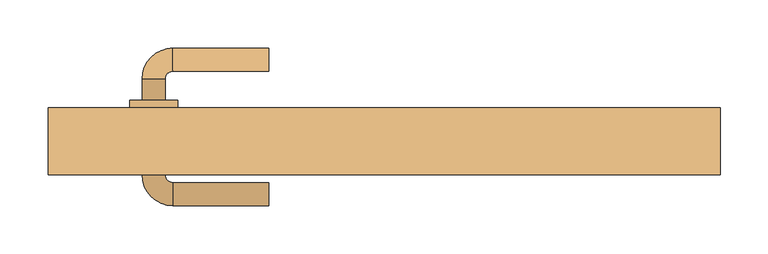
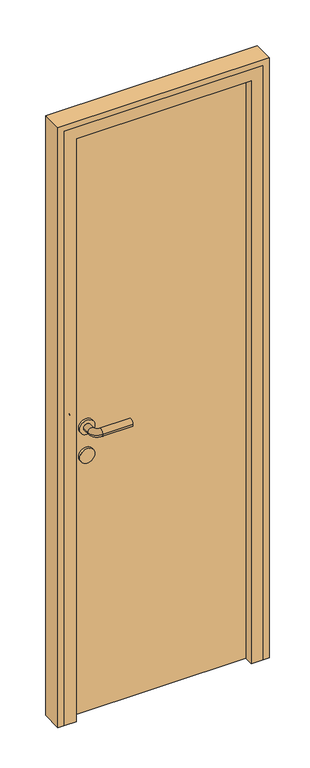
"""IFC4 building model written with IfcOpenShell, lengths in millimetres: door geometry."""

from ifc_helpers import new_model, si_unit, point, frame, frame_2d, origin, origin_with_axes, place, context, project, spatial, polyline, circle_curve, ellipse_curve, trimmed, segment, composite_curve, outline, extrude, faceted_brep, source, transform, mapped, element, save
from ifc_brep_helpers import plane_surface, cylinder_surface, revolved_surface, advanced_brep


def door_e67560aa(model_context):
    return source(origin(), model_context, "Body", "SolidModel", [
        advanced_brep(
        [(-120.0, 302.0, 1000.0), (-120.0, 278.0, 1000.0), (-220.0, 302.0, 1000.0), (-220.0, 278.0, 1000.0), (-252.0, 270.0, 1000.0), (-228.0, 270.0, 1000.0), (-252.0, 248.0, 1000.0), (-228.0, 248.0, 1000.0), (-252.0, 170.0, 1000.0), (-228.0, 170.0, 1000.0), (-228.0, 192.0, 1000.0), (-252.0, 192.0, 1000.0), (-220.0, 138.0, 1000.0), (-220.0, 162.0, 1000.0), (-120.0, 138.0, 1000.0), (-120.0, 162.0, 1000.0), (-265.0, 248.0, 1000.0), (-215.0, 248.0, 1000.0), (-265.0, 192.0, 1000.0), (-215.0, 192.0, 1000.0)],
        [
            (0, 1, circle_curve(frame((-120.0, 290.0, 1000.0), z_axis=(1.0, 0.0, 0.0), x_axis=(0.0, -1.0, 0.0)), 12.0)),
            (1, 0, circle_curve(frame((-120.0, 290.0, 1000.0), z_axis=(1.0, 0.0, 0.0), x_axis=(0.0, -1.0, 0.0)), 12.0)),
            (0, 2),
            (2, 3, circle_curve(frame((-220.0, 290.0, 1000.0), z_axis=(1.0, 0.0, 0.0), x_axis=(0.0, -1.0, 0.0)), 12.0)),
            (3, 1),
            (3, 2, circle_curve(frame((-220.0, 290.0, 1000.0), z_axis=(1.0, 0.0, 0.0), x_axis=(0.0, -1.0, 0.0)), 12.0)),
            (2, 4, circle_curve(frame((-220.0, 270.0, 1000.0), z_axis=(0.0, 0.0, 1.0), x_axis=(0.0, 1.0, 0.0)), 32.0)),
            (4, 5, circle_curve(frame((-240.0, 270.0, 1000.0), z_axis=(0.0, 1.0, 0.0), x_axis=(1.0, 0.0, 0.0)), 12.0)),
            (5, 3, circle_curve(frame((-220.0, 270.0, 1000.0), z_axis=(0.0, 0.0, -1.0), x_axis=(0.0, 1.0, 0.0)), 8.0)),
            (5, 4, circle_curve(frame((-240.0, 270.0, 1000.0), z_axis=(0.0, 1.0, 0.0), x_axis=(1.0, 0.0, 0.0)), 12.0)),
            (4, 6),
            (6, 7, circle_curve(frame((-240.0, 248.0, 1000.0), z_axis=(0.0, 1.0, 0.0), x_axis=(1.0, 0.0, 0.0)), 12.0)),
            (7, 5),
            (8, 9, circle_curve(frame((-240.0, 170.0, 1000.0), z_axis=(0.0, 1.0, 0.0), x_axis=(1.0, 0.0, 0.0)), 12.0)),
            (9, 10),
            (10, 11, circle_curve(frame((-240.0, 192.0, 1000.0), z_axis=(0.0, -1.0, 0.0), x_axis=(1.0, 0.0, 0.0)), 12.0)),
            (11, 8),
            (7, 6, circle_curve(frame((-240.0, 248.0, 1000.0), z_axis=(0.0, 1.0, 0.0), x_axis=(1.0, 0.0, 0.0)), 12.0)),
            (9, 8, circle_curve(frame((-240.0, 170.0, 1000.0), z_axis=(0.0, 1.0, 0.0), x_axis=(1.0, 0.0, 0.0)), 12.0)),
            (11, 10, circle_curve(frame((-240.0, 192.0, 1000.0), z_axis=(0.0, -1.0, 0.0), x_axis=(1.0, 0.0, 0.0)), 12.0)),
            (8, 12, circle_curve(frame((-220.0, 170.0, 1000.0), z_axis=(0.0, 0.0, 1.0), x_axis=(-1.0, 0.0, 0.0)), 32.0)),
            (12, 13, circle_curve(frame((-220.0, 150.0, 1000.0), z_axis=(-1.0, 0.0, 0.0), x_axis=(0.0, 1.0, 0.0)), 12.0)),
            (13, 9, circle_curve(frame((-220.0, 170.0, 1000.0), z_axis=(0.0, 0.0, -1.0), x_axis=(-1.0, 0.0, 0.0)), 8.0)),
            (13, 12, circle_curve(frame((-220.0, 150.0, 1000.0), z_axis=(-1.0, 0.0, 0.0), x_axis=(0.0, 1.0, 0.0)), 12.0)),
            (14, 15, circle_curve(frame((-120.0, 150.0, 1000.0), z_axis=(1.0, 0.0, 0.0), x_axis=(0.0, 1.0, 0.0)), 12.0)),
            (15, 14, circle_curve(frame((-120.0, 150.0, 1000.0), z_axis=(1.0, 0.0, 0.0), x_axis=(0.0, 1.0, 0.0)), 12.0)),
            (12, 14),
            (15, 13),
            (16, 17, circle_curve(frame((-240.0, 248.0, 1000.0), z_axis=(0.0, 1.0, 0.0), x_axis=(1.0, 0.0, 0.0)), 25.0)),
            (17, 16, circle_curve(frame((-240.0, 248.0, 1000.0), z_axis=(0.0, 1.0, 0.0), x_axis=(1.0, 0.0, 0.0)), 25.0)),
            (18, 19, circle_curve(frame((-240.0, 192.0, 1000.0), z_axis=(0.0, -1.0, 0.0), x_axis=(1.0, 0.0, 0.0)), 25.0)),
            (19, 18, circle_curve(frame((-240.0, 192.0, 1000.0), z_axis=(0.0, -1.0, 0.0), x_axis=(1.0, 0.0, 0.0)), 25.0)),
            (17, 19),
            (18, 16),
        ],
        [
            plane_surface(frame((-120.0, 290.0, 1000.0), z_axis=(1.0, 0.0, 0.0), x_axis=(0.0, 0.0, 1.0))),
            cylinder_surface(frame((-120.0, 290.0, 1000.0), z_axis=(1.0, 0.0, 0.0), x_axis=(0.0, -1.0, 0.0)), 12.0),
            revolved_surface(trimmed(ellipse_curve(frame((-220.0, 290.0, 1000.0), z_axis=(1.0, 0.0, 0.0), x_axis=(0.0, -1.0, 0.0)), 12.0, 12.0), [point((-220.0, 302.0, 1000.0))], [point((-220.0, 278.0, 1000.0))], True, "CARTESIAN"), (-220.0, 270.0, 1000.0), (0.0, 0.0, 1.0)),
            revolved_surface(trimmed(ellipse_curve(frame((-220.0, 290.0, 1000.0), z_axis=(1.0, 0.0, 0.0), x_axis=(0.0, -1.0, 0.0)), 12.0, 12.0), [point((-220.0, 278.0, 1000.0))], [point((-220.0, 302.0, 1000.0))], True, "CARTESIAN"), (-220.0, 270.0, 1000.0), (0.0, 0.0, 1.0)),
            cylinder_surface(frame((-240.0, 270.0, 1000.0), z_axis=(0.0, 1.0, 0.0), x_axis=(1.0, 0.0, 0.0)), 12.0),
            revolved_surface(trimmed(ellipse_curve(frame((-240.0, 170.0, 1000.0), z_axis=(0.0, 1.0, 0.0), x_axis=(1.0, 0.0, 0.0)), 12.0, 12.0), [point((-252.0, 170.0, 1000.0))], [point((-228.0, 170.0, 1000.0))], True, "CARTESIAN"), (-220.0, 170.0, 1000.0), (0.0, 0.0, 1.0)),
            revolved_surface(trimmed(ellipse_curve(frame((-240.0, 170.0, 1000.0), z_axis=(0.0, 1.0, 0.0), x_axis=(1.0, 0.0, 0.0)), 12.0, 12.0), [point((-228.0, 170.0, 1000.0))], [point((-252.0, 170.0, 1000.0))], True, "CARTESIAN"), (-220.0, 170.0, 1000.0), (0.0, 0.0, 1.0)),
            plane_surface(frame((-120.0, 150.0, 1000.0), z_axis=(1.0, 0.0, 0.0), x_axis=(0.0, 0.0, 1.0))),
            cylinder_surface(frame((-220.0, 150.0, 1000.0), z_axis=(-1.0, 0.0, 0.0), x_axis=(0.0, 1.0, 0.0)), 12.0),
            plane_surface(frame((-215.0, 248.0, 1000.0), z_axis=(0.0, 1.0, 0.0), x_axis=(0.0, 0.0, -1.0))),
            plane_surface(frame((-215.0, 192.0, 1000.0), z_axis=(0.0, -1.0, 0.0), x_axis=(0.0, 0.0, 1.0))),
            cylinder_surface(frame((-240.0, 248.0, 1000.0), z_axis=(0.0, -1.0, 0.0), x_axis=(1.0, 0.0, 0.0)), 25.0),
        ],
        [
            (0, [[1, 2]]),
            (1, [[-1, 3, 4, 5]]),
            (1, [[-2, -5, 6, -3]]),
            (2, [[-4, 7, 8, 9]]),
            (3, [[-6, -9, 10, -7]]),
            (4, [[-8, 11, 12, 13]]),
            (4, [[14, 15, 16, 17]]),
            (4, [[-10, -13, 18, -11]]),
            (4, [[19, -17, 20, -15]]),
            (5, [[-14, 21, 22, 23]]),
            (6, [[-19, -23, 24, -21]]),
            (7, [[25, 26]]),
            (8, [[-22, 27, -26, 28]]),
            (8, [[-24, -28, -25, -27]]),
            (9, [[29, 30], [-12, -18]]),
            (10, [[31, 32], [-16, -20]]),
            (11, [[-30, 33, -31, 34]]),
            (11, [[-29, -34, -32, -33]]),
        ],
    ),
        extrude(outline(composite_curve([segment(trimmed(circle_curve(frame_2d((900.0, -240.0)), 25.0), [point((900.0, -265.0))], [point((900.0, -215.0))], False, "CARTESIAN"), True, "CONTINUOUS"), segment(trimmed(circle_curve(frame_2d((900.0, -240.0)), 25.0), [point((900.0, -215.0))], [point((900.0, -265.0))], False, "CARTESIAN"), True, "CONTINUOUS")], self_intersect=False)), frame((0.0, 192.0, 0.0), z_axis=(0.0, 1.0, 0.0), x_axis=(0.0, 0.0, 1.0)), (0.0, 0.0, 1.0), 56.0),
        extrude(outline(polyline([(300.0, 200.0), (-300.0, 200.0), (-300.0, 240.0), (300.0, 240.0), (300.0, 200.0)])), origin_with_axes(), (0.0, 0.0, 1.0), 2050.0),
        extrude(outline(polyline([(0.0, 350.0), (2100.0, 350.0), (2100.0, -350.0), (0.0, -350.0), (0.0, -330.0), (2080.0, -330.0), (2080.0, 330.0), (0.0, 330.0), (0.0, 350.0)])), frame((0.0, 170.0, 0.0), z_axis=(0.0, 1.0, 0.0), x_axis=(0.0, 0.0, 1.0)), (0.0, 0.0, 1.0), 70.0),
        faceted_brep([(-330.0, 170.0, 0.0), (-330.0, 240.0, 0.0), (-300.0, 240.0, 0.0), (-300.0, 200.0, 0.0), (-290.0, 200.0, 0.0), (-290.0, 170.0, 0.0), (-330.0, 170.0, 2080.0), (-330.0, 240.0, 2080.0), (330.0, 240.0, 2080.0), (330.0, 240.0, 0.0), (300.0, 240.0, 0.0), (300.0, 240.0, 2050.0), (-300.0, 240.0, 2050.0), (-300.0, 200.0, 2050.0), (300.0, 200.0, 2050.0), (300.0, 200.0, 0.0), (290.0, 200.0, 0.0), (290.0, 200.0, 2040.0), (-290.0, 200.0, 2040.0), (-290.0, 170.0, 2040.0), (290.0, 170.0, 2040.0), (290.0, 170.0, 0.0), (330.0, 170.0, 0.0), (330.0, 170.0, 2080.0)], [[[0, 1, 2, 3, 4, 5]], [[1, 0, 6, 7]], [[2, 1, 7, 8, 9, 10, 11, 12]], [[3, 2, 12, 13]], [[4, 3, 13, 14, 15, 16, 17, 18]], [[5, 4, 18, 19]], [[0, 5, 19, 20, 21, 22, 23, 6]], [[7, 6, 23, 8]], [[13, 12, 11, 14]], [[19, 18, 17, 20]], [[22, 21, 16, 15, 10, 9]], [[8, 23, 22, 9]], [[14, 11, 10, 15]], [[20, 17, 16, 21]]]),
    ])


if __name__ == "__main__":
    model = new_model("IFC4")
    model_context = context("Model", 3, world=origin())
    ifc_project = project(units=[si_unit("LENGTHUNIT", "METRE", prefix="MILLI")], contexts=[model_context])
    site = spatial("IfcSite", under=ifc_project)
    building = spatial("IfcBuilding", under=site)
    placement = place(None, origin())
    door_shape = door_e67560aa(model_context)
    element("IfcDoor", 1, at=placement, inside=building, context=model_context, shape_type="MappedRepresentation", body=[
        mapped(door_shape, transform((0.0, 0.0, 0.0), x_axis=(1.0, 0.0, 0.0), y_axis=(0.0, 1.0, 0.0), z_axis=(0.0, 0.0, 1.0))),
    ])
    save(model, "model.ifc")
